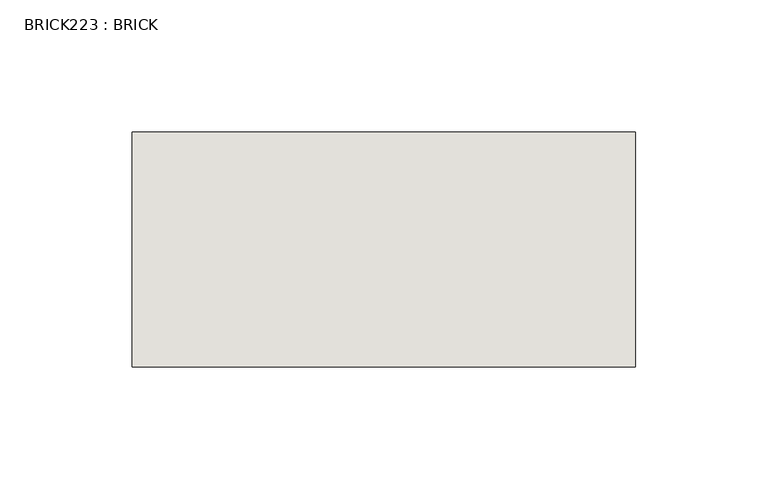
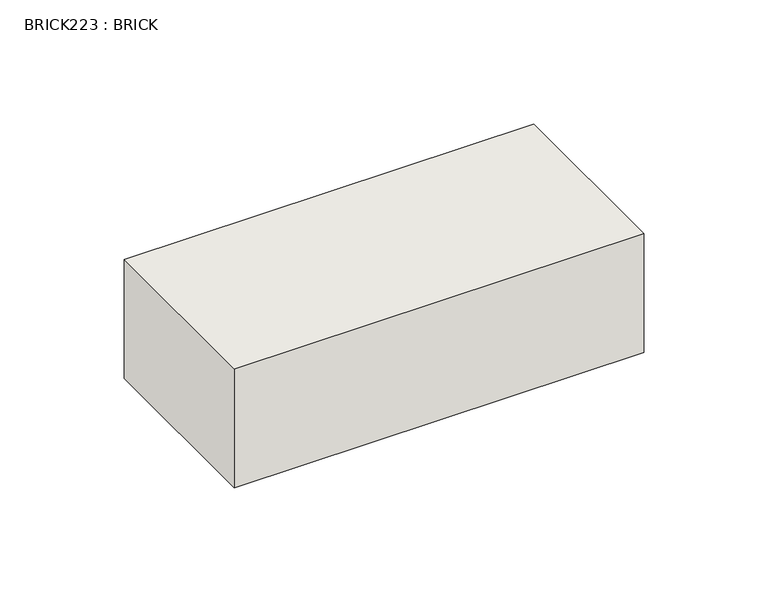
"""IFC4 building model written with IfcOpenShell, lengths in millimetres: wall geometry, BRICK223 : BRICK."""

from ifc_helpers import new_model, si_unit, frame, origin, place, context, project, spatial, polyline, outline, extrude, source, transform, mapped, element, save


def brick223_brick_bcd2ef6d(model_context):
    return source(origin(), model_context, "Body", "SweptSolid", [
        extrude(outline(polyline([(-1378.3316239, 3062.3923312), (-1187.8316239, 3062.3923312), (-1187.8316239, 2973.4923312), (-1378.3316239, 2973.4923312), (-1378.3316239, 3062.3923312)])), frame((0.0, 0.0, 353.7148438), z_axis=(0.0, 0.0, 1.0), x_axis=(1.0, 0.0, 0.0)), (0.0, 0.0, 1.0), 58.4398437),
    ])


if __name__ == "__main__":
    model = new_model("IFC4")
    model_context = context("Model", 3, world=origin())
    ifc_project = project(units=[si_unit("LENGTHUNIT", "METRE", prefix="MILLI")], contexts=[model_context])
    site = spatial("IfcSite", under=ifc_project)
    building = spatial("IfcBuilding", under=site)
    placement = place(None, origin())
    brick223_brick_shape = brick223_brick_bcd2ef6d(model_context)
    element("IfcWall", 1, ObjectType="BRICK223 : BRICK", at=placement, inside=building, context=model_context, shape_type="MappedRepresentation", body=[
        mapped(brick223_brick_shape, transform((0.0, 0.0, 0.0), x_axis=(1.0, 0.0, 0.0), y_axis=(0.0, 1.0, 0.0), z_axis=(0.0, 0.0, 1.0))),
    ])
    save(model, "model.ifc")
